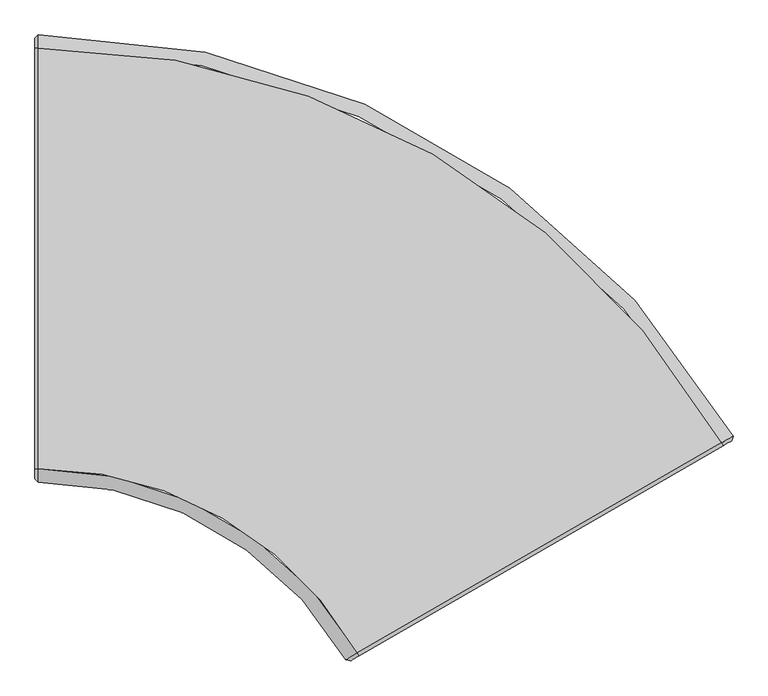
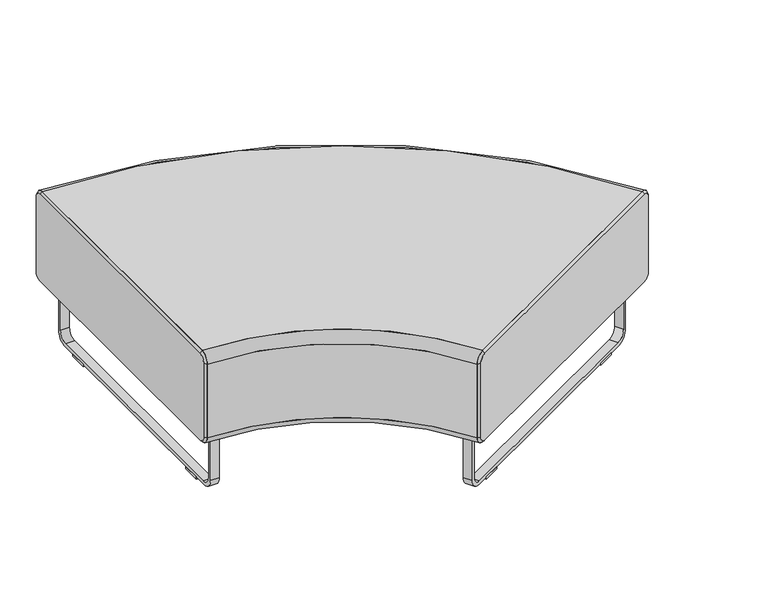
"""IFC4 building model written with IfcOpenShell, lengths in millimetres: furniture geometry."""

from ifc_helpers import new_model, si_unit, point, frame, frame_2d, origin, origin_with_axes, place, context, project, spatial, polyline, circle_curve, ellipse_curve, trimmed, segment, composite_curve, outline, extrude, source, transform, mapped, element, save
from ifc_brep_helpers import plane_surface, cylinder_surface, revolved_surface, advanced_brep


def furniture_19a7c2cc(model_context):
    return source(origin(), model_context, "Body", "SolidModel", [
        advanced_brep(
        [(83.1409913, -522.9669515, 457.2), (765.0493943, -129.2669515, 457.2), (787.0464395, -116.5669515, 431.8), (787.0464395, -116.5669515, 209.55), (765.0493943, -129.2669515, 184.15), (83.1409913, -522.9669515, 184.15), (61.1439461, -535.6669515, 209.55), (61.1439461, -535.6669515, 431.8), (86.3159913, -528.4662128, 450.85), (69.8182074, -537.9912128, 431.8), (69.8182074, -537.9912128, 209.55), (86.3159913, -528.4662128, 190.5), (768.2243943, -134.7662128, 190.5), (784.7221782, -125.2412128, 209.55), (784.7221782, -125.2412128, 431.8), (768.2243943, -134.7662128, 450.85)],
        [
            (0, 1),
            (1, 2, circle_curve(frame((765.0493943, -129.2669515, 431.8), z_axis=(-0.5000000000003016, 0.8660254037842645, 0.0), x_axis=(0.0, 0.0, 1.0)), 25.4)),
            (2, 3),
            (3, 4, circle_curve(frame((765.0493943, -129.2669515, 209.55), z_axis=(-0.5000000000001528, 0.8660254037843504, 0.0), x_axis=(0.8660254037843504, 0.5000000000001528, 0.0)), 25.4)),
            (4, 5),
            (5, 6, circle_curve(frame((83.1409913, -522.9669515, 209.55), z_axis=(-0.5000000000002517, 0.8660254037842935, 0.0), x_axis=(0.0, 0.0, -1.0)), 25.4)),
            (6, 7),
            (7, 0, circle_curve(frame((83.1409913, -522.9669515, 431.8), z_axis=(-0.5000000000002557, 0.8660254037842912, 0.0), x_axis=(-0.8660254037842909, -0.5000000000002558, 0.0)), 25.4)),
            (8, 9, circle_curve(frame((86.3159913, -528.4662128, 431.8), z_axis=(0.5000000000002557, -0.8660254037842912, 0.0), x_axis=(-0.8660254037842909, -0.5000000000002558, 0.0)), 19.05)),
            (9, 10),
            (10, 11, circle_curve(frame((86.3159913, -528.4662128, 209.55), z_axis=(0.5000000000002517, -0.8660254037842935, 0.0), x_axis=(0.0, 0.0, -1.0)), 19.05)),
            (11, 12),
            (12, 13, circle_curve(frame((768.2243943, -134.7662128, 209.55), z_axis=(0.5000000000001528, -0.8660254037843504, 0.0), x_axis=(0.8660254037843504, 0.5000000000001528, 0.0)), 19.05)),
            (13, 14),
            (14, 15, circle_curve(frame((768.2243943, -134.7662128, 431.8), z_axis=(0.5000000000003016, -0.8660254037842645, 0.0), x_axis=(0.0, 0.0, 1.0)), 19.05)),
            (15, 8),
            (15, 1),
            (0, 8),
            (13, 3),
            (2, 14),
            (11, 5),
            (4, 12),
            (9, 7),
            (6, 10),
        ],
        [
            plane_surface(frame((424.0951928, -326.1169515, 320.675), z_axis=(-0.49999999999999695, 0.8660254037844405, 0.0), x_axis=(-0.8660254037844405, -0.49999999999999695, 0.0))),
            plane_surface(frame((427.2701928, -331.6162128, 320.675), z_axis=(0.49999999999999695, -0.8660254037844405, 0.0), x_axis=(-0.8660254037844405, -0.49999999999999695, 0.0))),
            plane_surface(frame((427.2701928, -331.6162128, 450.85), z_axis=(0.353553390593349, -0.61237243569593, 0.7071067811863927), x_axis=(0.8660254037844405, 0.4999999999999969, 0.0))),
            plane_surface(frame((784.7221782, -125.2412128, 320.675), z_axis=(0.9659258262890453, -0.2588190451026069, 0.0), x_axis=(0.0, 0.0, -1.0))),
            plane_surface(frame((427.2701928, -331.6162128, 190.5), z_axis=(0.35355339059333796, -0.6123724356959108, -0.7071067811864147), x_axis=(-0.8660254037844405, -0.4999999999999969, 0.0))),
            plane_surface(frame((69.8182074, -537.9912128, 320.675), z_axis=(-0.2588190451021962, -0.9659258262891552, 0.0), x_axis=(0.0, 0.0, 1.0))),
            revolved_surface(polyline([(86.31599131052054, -528.4662128182222, 450.8499999789589), (83.1409913, -522.9669515, 457.2)]), (95.8409913, -544.9639967, 431.8), (-0.5000000000002557, 0.8660254037842912, 0.0)),
            revolved_surface(polyline([(69.81820739999998, -537.9912128, 209.55), (61.14394606167625, -535.6669514897312, 209.55)]), (95.8409913, -544.9639967, 209.55), (-0.5000000000002517, 0.8660254037842935, 0.0)),
            revolved_surface(polyline([(768.2243943, -134.7662128, 190.5), (765.0493942859711, -129.26695147570115, 184.14999997194212)]), (777.7493943, -151.2639967, 209.55), (-0.5000000000001528, 0.8660254037843504, 0.0)),
            revolved_surface(polyline([(784.7221781922988, -125.24121282874135, 431.8), (787.0464395, -116.5669515, 431.8)]), (777.7493943, -151.2639967, 431.8), (-0.5000000000003016, 0.8660254037842645, 0.0)),
        ],
        [
            (0, [[1, 2, 3, 4, 5, 6, 7, 8]]),
            (1, [[9, 10, 11, 12, 13, 14, 15, 16]]),
            (2, [[-16, 17, -1, 18]]),
            (3, [[-14, 19, -3, 20]]),
            (4, [[-12, 21, -5, 22]]),
            (5, [[-10, 23, -7, 24]]),
            (6, [[-9, -18, -8, -23]]),
            (7, [[-11, -24, -6, -21]]),
            (8, [[-13, -22, -4, -19]]),
            (9, [[-15, -20, -2, -17]]),
        ],
    ),
        advanced_brep(
        [(-514.9320562, 609.7306835, 457.2), (-514.9320562, 635.1306835, 431.8), (-514.9320562, 635.1306835, 209.55), (-514.9320562, 609.7306835, 184.15), (-514.9320562, -177.6693165, 184.15), (-514.9320562, -203.0693165, 209.55), (-514.9320562, -203.0693165, 431.8), (-514.9320562, -177.6693165, 457.2), (765.0493943, -129.2669515, 457.2), (83.1409913, -522.9669515, 457.2), (61.1439461, -535.6669515, 431.8), (61.1439461, -535.6669515, 209.55), (83.1409913, -522.9669515, 184.15), (765.0493943, -129.2669515, 184.15), (787.0464395, -116.5669515, 209.55), (787.0464395, -116.5669515, 431.8)],
        [
            (0, 1, circle_curve(frame((-514.9320562, 609.7306835, 431.8), z_axis=(-1.0, 0.0, 0.0), x_axis=(0.0, -1.0, 0.0)), 25.4)),
            (1, 2),
            (2, 3, circle_curve(frame((-514.9320562, 609.7306835, 209.55), z_axis=(-1.0, 0.0, 0.0), x_axis=(0.0, -1.0, 0.0)), 25.4)),
            (3, 4),
            (4, 5, circle_curve(frame((-514.9320562, -177.6693165, 209.55), z_axis=(-1.0, 0.0, 0.0), x_axis=(0.0, -1.0, 0.0)), 25.4)),
            (5, 6),
            (6, 7, circle_curve(frame((-514.9320562, -177.6693165, 431.8), z_axis=(-1.0, 0.0, 0.0), x_axis=(0.0, -1.0, 0.0)), 25.4)),
            (7, 0),
            (8, 9),
            (9, 10, circle_curve(frame((83.1409913, -522.9669515, 431.8), z_axis=(0.4999999999999995, -0.8660254037844389, 0.0), x_axis=(-0.8660254037844389, -0.4999999999999995, 0.0)), 25.4)),
            (10, 11),
            (11, 12, circle_curve(frame((83.1409913, -522.9669515, 209.55), z_axis=(0.49999999999976086, -0.8660254037845767, 0.0), x_axis=(-0.8660254037845767, -0.49999999999976086, 0.0)), 25.4)),
            (12, 13),
            (13, 14, circle_curve(frame((765.0493943, -129.2669515, 209.55), z_axis=(0.4999999999999995, -0.8660254037844389, 0.0), x_axis=(-0.8660254037844389, -0.4999999999999995, 0.0)), 25.4)),
            (14, 15),
            (15, 8, circle_curve(frame((765.0493943, -129.2669515, 431.8), z_axis=(0.4999999999999995, -0.8660254037844389, 0.0), x_axis=(-0.8660254037844389, -0.4999999999999995, 0.0)), 25.4)),
            (8, 0, circle_curve(frame((-514.9320562, -868.2645864, 457.2), z_axis=(0.0, 0.0, 1.0), x_axis=(0.0, 1.0, 0.0)), 1477.99527)),
            (7, 9, circle_curve(frame((-514.9320562, -868.2645864, 457.2), z_axis=(0.0, 0.0, -1.0), x_axis=(0.0, 1.0, 0.0)), 690.59527)),
            (6, 10, circle_curve(frame((-514.9320562, -868.2645864, 431.8), z_axis=(0.0, 0.0, -1.0), x_axis=(0.0, 1.0, 0.0)), 665.19527)),
            (5, 11, circle_curve(frame((-514.9320562, -868.2645864, 209.55), z_axis=(0.0, 0.0, -1.0), x_axis=(0.0, 1.0, 0.0)), 665.19527)),
            (4, 12, circle_curve(frame((-514.9320562, -868.2645864, 184.15), z_axis=(0.0, 0.0, -1.0), x_axis=(0.0, 1.0, 0.0)), 690.59527)),
            (3, 13, circle_curve(frame((-514.9320562, -868.2645864, 184.15), z_axis=(0.0, 0.0, -1.0), x_axis=(0.0, 1.0, 0.0)), 1477.99527)),
            (2, 14, circle_curve(frame((-514.9320562, -868.2645864, 209.55), z_axis=(0.0, 0.0, -1.0), x_axis=(0.0, 1.0, 0.0)), 1503.39527)),
            (1, 15, circle_curve(frame((-514.9320562, -868.2645864, 431.8), z_axis=(0.0, 0.0, -1.0), x_axis=(0.0, 1.0, 0.0)), 1503.39527)),
        ],
        [
            plane_surface(frame((-514.9320562, -868.2645864, 457.2), z_axis=(-1.0, 0.0, 0.0), x_axis=(0.0, 1.0, 0.0))),
            plane_surface(frame((-514.9320562, -868.2645864, 457.2), z_axis=(0.4999999999999995, -0.8660254037844389, 0.0), x_axis=(0.8660254037844389, 0.4999999999999995, 0.0))),
            plane_surface(frame((-514.9320562, -868.2645864, 457.2), z_axis=(0.0, 0.0, 1.0), x_axis=(0.0, 1.0, 0.0))),
            revolved_surface(trimmed(ellipse_curve(frame((-514.9320562, -177.6693165, 431.8), z_axis=(-1.0, 0.0, 0.0), x_axis=(0.0, -1.0, 0.0)), 25.4, 25.4), [point((-514.9320562, -203.0693165, 431.8))], [point((-514.9320562, -177.6693165, 457.2))], True, "CARTESIAN"), (-514.9320562, -868.2645864, 457.2), (0.0, 0.0, -1.0)),
            revolved_surface(polyline([(-514.9320562, -203.06931639999993, 209.55), (-514.9320562, -203.06931639999993, 431.8)]), (-514.9320562, -868.2645864, 457.2), (0.0, 0.0, -1.0)),
            revolved_surface(trimmed(ellipse_curve(frame((-514.9320562, -177.6693165, 209.55), z_axis=(-1.0, 0.0, 0.0), x_axis=(0.0, -1.0, 0.0)), 25.4, 25.4), [point((-514.9320562, -177.6693165, 184.15))], [point((-514.9320562, -203.0693165, 209.55))], True, "CARTESIAN"), (-514.9320562, -868.2645864, 457.2), (0.0, 0.0, -1.0)),
            plane_surface(frame((-514.9320562, -868.2645864, 184.15), z_axis=(0.0, 0.0, -1.0), x_axis=(0.0, 1.0, 0.0))),
            revolved_surface(trimmed(ellipse_curve(frame((-514.9320562, 609.7306835, 209.55), z_axis=(-1.0, 0.0, 0.0), x_axis=(0.0, -1.0, 0.0)), 25.4, 25.4), [point((-514.9320562, 635.1306835, 209.55))], [point((-514.9320562, 609.7306835, 184.15))], True, "CARTESIAN"), (-514.9320562, -868.2645864, 457.2), (0.0, 0.0, -1.0)),
            cylinder_surface(frame((-514.9320562, -868.2645864, 457.2), z_axis=(0.0, 0.0, -1.0), x_axis=(0.0, 1.0, 0.0)), 1503.39527),
            revolved_surface(trimmed(ellipse_curve(frame((-514.9320562, 609.7306835, 431.8), z_axis=(-1.0, 0.0, 0.0), x_axis=(0.0, -1.0, 0.0)), 25.4, 25.4), [point((-514.9320562, 609.7306835, 457.2))], [point((-514.9320562, 635.1306835, 431.8))], True, "CARTESIAN"), (-514.9320562, -868.2645864, 457.2), (0.0, 0.0, -1.0)),
        ],
        [
            (0, [[1, 2, 3, 4, 5, 6, 7, 8]]),
            (1, [[9, 10, 11, 12, 13, 14, 15, 16]]),
            (2, [[17, -8, 18, -9]]),
            (3, [[-18, -7, 19, -10]]),
            (4, [[-19, -6, 20, -11]]),
            (5, [[-20, -5, 21, -12]]),
            (6, [[-21, -4, 22, -13]]),
            (7, [[-22, -3, 23, -14]]),
            (8, [[-23, -2, 24, -15]]),
            (9, [[-24, -1, -17, -16]]),
        ],
    ),
        extrude(outline(polyline([(95.2675564, 72.7774396), (43.0245844, 102.9399335), (73.1870602, 155.182874), (125.4300322, 125.0203801), (95.2675564, 72.7774396)])), frame((0.0, 0.0, 177.8), z_axis=(0.0, 0.0, 1.0), x_axis=(1.0, 0.0, 0.0)), (0.0, 0.0, 1.0), 6.35),
        extrude(outline(polyline([(266.7175564, 369.7375505), (236.5550556, 317.4945667), (184.3120836, 347.6570607), (214.4745844, 399.9000445), (266.7175564, 369.7375505)])), frame((0.0, 0.0, 177.8), z_axis=(0.0, 0.0, 1.0), x_axis=(1.0, 0.0, 0.0)), (0.0, 0.0, 1.0), 6.35),
        extrude(outline(polyline([(99.9841185, 150.796789), (77.9870942, 163.4967769), (103.38707, 207.4908254), (125.3840943, 194.7908376), (99.9841185, 150.796789)])), origin_with_axes(), (0.0, 0.0, 1.0), 6.35),
        extrude(outline(polyline([(201.5091102, 326.6432329), (176.1091072, 282.6491371), (154.1120829, 295.349125), (179.5120859, 339.3432208), (201.5091102, 326.6432329)])), origin_with_axes(), (0.0, 0.0, 1.0), 6.35),
        extrude(outline(composite_curve([segment(polyline([(-139.7, 0.0), (0.0, 0.0), (0.0, -9.525), (-136.525, -9.525)]), True, "CONTINUOUS"), segment(trimmed(circle_curve(frame_2d((-136.525, -34.925)), 25.4), [point((-136.525, -9.525))], [point((-161.925, -34.925))], True, "CARTESIAN"), True, "CONTINUOUS"), segment(polyline([(-161.925, -34.925), (-161.925, -307.975)]), True, "CONTINUOUS"), segment(trimmed(circle_curve(frame_2d((-136.525, -307.975)), 25.4), [point((-161.925, -307.975))], [point((-136.525, -333.375))], True, "CARTESIAN"), True, "CONTINUOUS"), segment(polyline([(-136.525, -333.375), (0.0, -333.375), (0.0, -342.9), (-139.7, -342.9)]), True, "CONTINUOUS"), segment(trimmed(circle_curve(frame_2d((-139.7, -311.15)), 31.75), [point((-139.7, -342.9))], [point((-171.45, -311.15))], False, "CARTESIAN"), True, "CONTINUOUS"), segment(polyline([(-171.45, -311.15), (-171.45, -31.75)]), True, "CONTINUOUS"), segment(trimmed(circle_curve(frame_2d((-139.7, -31.75)), 31.75), [point((-171.45, -31.75))], [point((-139.7, 0.0))], False, "CARTESIAN"), True, "CONTINUOUS")], self_intersect=False)), frame((236.4716087, 387.2000566, 177.8), z_axis=(-0.8660254037844208, 0.500000000000031, 0.0), x_axis=(0.0, 0.0, 1.0)), (0.0, 0.0, 1.0), 25.3999758),
        extrude(outline(polyline([(-416.707529, -153.1656029), (-477.0325168, -153.1656029), (-477.0325168, -92.834385), (-416.707529, -92.834385), (-416.707529, -153.1656029)])), frame((0.0, 0.0, 177.8), z_axis=(0.0, 0.0, 1.0), x_axis=(1.0, 0.0, 0.0)), (0.0, 0.0, 1.0), 6.35),
        extrude(outline(polyline([(-416.707529, 595.3406471), (-416.707529, 535.0156456), (-477.0325168, 535.0156456), (-477.0325168, 595.3406471), (-416.707529, 595.3406471)])), frame((0.0, 0.0, 177.8), z_axis=(0.0, 0.0, 1.0), x_axis=(1.0, 0.0, 0.0)), (0.0, 0.0, 1.0), 6.35),
        extrude(outline(polyline([(-451.6325411, -83.2343169), (-477.0325168, -83.2343169), (-477.0325168, -32.4343654), (-451.6325411, -32.4343654), (-451.6325411, -83.2343169)])), origin_with_axes(), (0.0, 0.0, 1.0), 6.35),
        extrude(outline(polyline([(-451.6325411, 525.4156502), (-451.6325411, 474.6156441), (-477.0325168, 474.6156441), (-477.0325168, 525.4156502), (-451.6325411, 525.4156502)])), origin_with_axes(), (0.0, 0.0, 1.0), 6.35),
        extrude(outline(composite_curve([segment(trimmed(circle_curve(frame_2d((563.5906471, 38.1)), 31.75), [point((595.3406471, 38.1))], [point((563.5906471, 6.35))], False, "CARTESIAN"), True, "CONTINUOUS"), segment(polyline([(563.5906471, 6.35), (-121.4156029, 6.35)]), True, "CONTINUOUS"), segment(trimmed(circle_curve(frame_2d((-121.4156029, 38.1)), 31.75), [point((-121.4156029, 6.35))], [point((-153.1656029, 38.1))], False, "CARTESIAN"), True, "CONTINUOUS"), segment(polyline([(-153.1656029, 38.1), (-153.1656029, 177.8), (-143.6343366, 177.8), (-143.6343366, 41.275)]), True, "CONTINUOUS"), segment(trimmed(circle_curve(frame_2d((-118.2343366, 41.275)), 25.4), [point((-143.6343366, 41.275))], [point((-118.2343366, 15.875))], True, "CARTESIAN"), True, "CONTINUOUS"), segment(polyline([(-118.2343366, 15.875), (560.4156471, 15.875)]), True, "CONTINUOUS"), segment(trimmed(circle_curve(frame_2d((560.4156471, 41.275)), 25.4), [point((560.4156471, 15.875))], [point((585.8156471, 41.275))], True, "CARTESIAN"), True, "CONTINUOUS"), segment(polyline([(585.8156471, 41.275), (585.8156471, 177.8), (595.3406471, 177.8), (595.3406471, 38.1)]), True, "CONTINUOUS")], self_intersect=False)), frame((-477.0325168, 0.0, 0.0), z_axis=(1.0, 0.0, 0.0), x_axis=(0.0, 1.0, 0.0)), (0.0, 0.0, 1.0), 25.3999758),
        advanced_brep(
        [(-514.9320562, -177.6693165, 457.2), (-514.9320562, -203.0693165, 431.8), (-514.9320562, -203.0693165, 209.55), (-514.9320562, -177.6693165, 184.15), (-514.9320562, 609.7306835, 184.15), (-514.9320562, 635.1306835, 209.55), (-514.9320562, 635.1306835, 431.8), (-514.9320562, 609.7306835, 457.2), (-521.2820562, -177.6693165, 450.85), (-521.2820562, 609.7306835, 450.85), (-521.2820562, 628.7806835, 431.8), (-521.2820562, 628.7806835, 209.55), (-521.2820562, 609.7306835, 190.5), (-521.2820562, -177.6693165, 190.5), (-521.2820562, -196.7193165, 209.55), (-521.2820562, -196.7193165, 431.8)],
        [
            (0, 1, circle_curve(frame((-514.9320562, -177.6693165, 431.8), z_axis=(1.0, 0.0, 0.0), x_axis=(0.0, 0.0, 1.0)), 25.4)),
            (1, 2),
            (2, 3, circle_curve(frame((-514.9320562, -177.6693165, 209.55), z_axis=(1.0, 0.0, 0.0), x_axis=(0.0, -1.0, 0.0)), 25.4)),
            (3, 4),
            (4, 5, circle_curve(frame((-514.9320562, 609.7306835, 209.55), z_axis=(1.0, 0.0, 0.0), x_axis=(0.0, 0.0, -1.0)), 25.4)),
            (5, 6),
            (6, 7, circle_curve(frame((-514.9320562, 609.7306835, 431.8), z_axis=(1.0, 0.0, 0.0), x_axis=(0.0, 1.0, 0.0)), 25.4)),
            (7, 0),
            (8, 9),
            (9, 10, circle_curve(frame((-521.2820562, 609.7306835, 431.8), z_axis=(-1.0, 0.0, 0.0), x_axis=(0.0, 1.0, 0.0)), 19.05)),
            (10, 11),
            (11, 12, circle_curve(frame((-521.2820562, 609.7306835, 209.55), z_axis=(-1.0, 0.0, 0.0), x_axis=(0.0, 0.0, -1.0)), 19.05)),
            (12, 13),
            (13, 14, circle_curve(frame((-521.2820562, -177.6693165, 209.55), z_axis=(-1.0, 0.0, 0.0), x_axis=(0.0, -1.0, 0.0)), 19.05)),
            (14, 15),
            (15, 8, circle_curve(frame((-521.2820562, -177.6693165, 431.8), z_axis=(-1.0, 0.0, 0.0), x_axis=(0.0, 0.0, 1.0)), 19.05)),
            (8, 0),
            (7, 9),
            (10, 6),
            (5, 11),
            (12, 4),
            (3, 13),
            (14, 2),
            (1, 15),
        ],
        [
            plane_surface(frame((-514.9320562, 216.0306835, 320.675), z_axis=(1.0, 0.0, 0.0), x_axis=(0.0, 1.0, 0.0))),
            plane_surface(frame((-521.2820562, 216.0306835, 320.675), z_axis=(-1.0, 0.0, 0.0), x_axis=(0.0, 1.0, 0.0))),
            plane_surface(frame((-521.2820562, 216.0306835, 450.85), z_axis=(-0.7071067811866982, 0.0, 0.7071067811863968), x_axis=(0.0, -1.0, 0.0))),
            plane_surface(frame((-521.2820562, 628.7806835, 320.675), z_axis=(-0.7071067811866003, 0.7071067811864948, 0.0), x_axis=(0.0, 0.0, 1.0))),
            plane_surface(frame((-521.2820562, 216.0306835, 190.5), z_axis=(-0.7071067811866814, 0.0, -0.7071067811864138), x_axis=(0.0, 1.0, 0.0))),
            plane_surface(frame((-521.2820562, -196.7193165, 320.675), z_axis=(-0.7071067811867906, -0.7071067811863044, 0.0), x_axis=(0.0, 0.0, -1.0))),
            revolved_surface(polyline([(-521.2820562, -196.7193165, 431.8), (-514.9320562, -203.0693165, 431.8)]), (-540.3320562, -177.6693165, 431.8), (1.0, 0.0, 0.0)),
            revolved_surface(polyline([(-521.2820562, -177.6693165, 190.50000000000003), (-514.9320562, -177.6693165, 184.15)]), (-540.3320562, -177.6693165, 209.55), (1.0, 0.0, 0.0)),
            revolved_surface(polyline([(-521.2820562, 628.7806835, 209.55), (-514.9320562, 635.1306835, 209.55)]), (-540.3320562, 609.7306835, 209.55), (1.0, 0.0, 0.0)),
            revolved_surface(polyline([(-521.2820562, 609.7306835, 450.84999999999997), (-514.9320562, 609.7306835, 457.2)]), (-540.3320562, 609.7306835, 431.8), (1.0, 0.0, 0.0)),
        ],
        [
            (0, [[1, 2, 3, 4, 5, 6, 7, 8]]),
            (1, [[9, 10, 11, 12, 13, 14, 15, 16]]),
            (2, [[-9, 17, -8, 18]]),
            (3, [[-11, 19, -6, 20]]),
            (4, [[-13, 21, -4, 22]]),
            (5, [[-15, 23, -2, 24]]),
            (6, [[-16, -24, -1, -17]]),
            (7, [[-14, -22, -3, -23]]),
            (8, [[-12, -20, -5, -21]]),
            (9, [[-10, -18, -7, -19]]),
        ],
    ),
        extrude(outline(polyline([(56.3481533, -432.3482376), (108.5965206, -402.1826287), (138.7590146, -454.4256007), (86.5106473, -484.5912096), (56.3481533, -432.3482376)])), frame((0.0, 0.0, 177.8), z_axis=(0.0, 0.0, 1.0), x_axis=(1.0, 0.0, 0.0)), (0.0, 0.0, 1.0), 6.35),
        extrude(outline(polyline([(710.1094009, -54.8990053), (740.2718949, -107.1419773), (688.0289111, -137.304478), (657.8664171, -85.0615061), (710.1094009, -54.8990053)])), frame((0.0, 0.0, 177.8), z_axis=(0.0, 0.0, 1.0), x_axis=(1.0, 0.0, 0.0)), (0.0, 0.0, 1.0), 6.35),
        extrude(outline(polyline([(129.1215167, -418.5328285), (173.1155653, -393.1328528), (185.8155531, -415.129877), (141.8215046, -440.5298528), (129.1215167, -418.5328285)])), origin_with_axes(), (0.0, 0.0, 1.0), 6.35),
        extrude(outline(polyline([(661.7636705, -111.0117377), (674.4636583, -133.008762), (630.4695626, -158.408765), (617.7695747, -136.4117407), (661.7636705, -111.0117377)])), origin_with_axes(), (0.0, 0.0, 1.0), 6.35),
        extrude(outline(composite_curve([segment(polyline([(0.0, -63.5), (-139.7, -63.5), (-139.7, -53.975), (-3.175, -53.975)]), True, "CONTINUOUS"), segment(trimmed(circle_curve(frame_2d((-3.175, -28.575)), 25.4), [point((-3.175, -53.975))], [point((22.225, -28.575))], True, "CARTESIAN"), True, "CONTINUOUS"), segment(polyline([(22.225, -28.575), (22.225, 656.4671983)]), True, "CONTINUOUS"), segment(trimmed(circle_curve(frame_2d((-3.175, 656.4671983)), 25.4), [point((22.225, 656.4671983))], [point((-3.175, 681.8671982))], True, "CARTESIAN"), True, "CONTINUOUS"), segment(polyline([(-3.175, 681.8671982), (-139.7, 681.8671982), (-139.7, 691.3984645), (0.0, 691.3984645)]), True, "CONTINUOUS"), segment(trimmed(circle_curve(frame_2d((0.0, 659.6484646)), 31.75), [point((0.0, 691.3984645))], [point((31.75, 659.6484646))], False, "CARTESIAN"), True, "CONTINUOUS"), segment(polyline([(31.75, 659.6484646), (31.75, -31.75)]), True, "CONTINUOUS"), segment(trimmed(circle_curve(frame_2d((0.0, -31.75)), 31.75), [point((31.75, -31.75))], [point((0.0, -63.5))], False, "CARTESIAN"), True, "CONTINUOUS")], self_intersect=False)), frame((680.0278689, -129.7962635, 38.1), z_axis=(-0.49999999999999106, 0.8660254037844438, 0.0), x_axis=(0.0, 0.0, -1.0)), (0.0, 0.0, 1.0), 25.3999758),
    ])


if __name__ == "__main__":
    model = new_model("IFC4")
    model_context = context("Model", 3, world=origin())
    ifc_project = project(units=[si_unit("LENGTHUNIT", "METRE", prefix="MILLI")], contexts=[model_context])
    site = spatial("IfcSite", under=ifc_project)
    building = spatial("IfcBuilding", under=site)
    placement = place(None, origin())
    furniture_shape = furniture_19a7c2cc(model_context)
    element("IfcFurniture", 1, at=placement, inside=building, context=model_context, shape_type="MappedRepresentation", body=[
        mapped(furniture_shape, transform((0.0, 0.0, 0.0), x_axis=(1.0, 0.0, 0.0), y_axis=(0.0, 1.0, 0.0), z_axis=(0.0, 0.0, 1.0))),
    ])
    save(model, "model.ifc")
